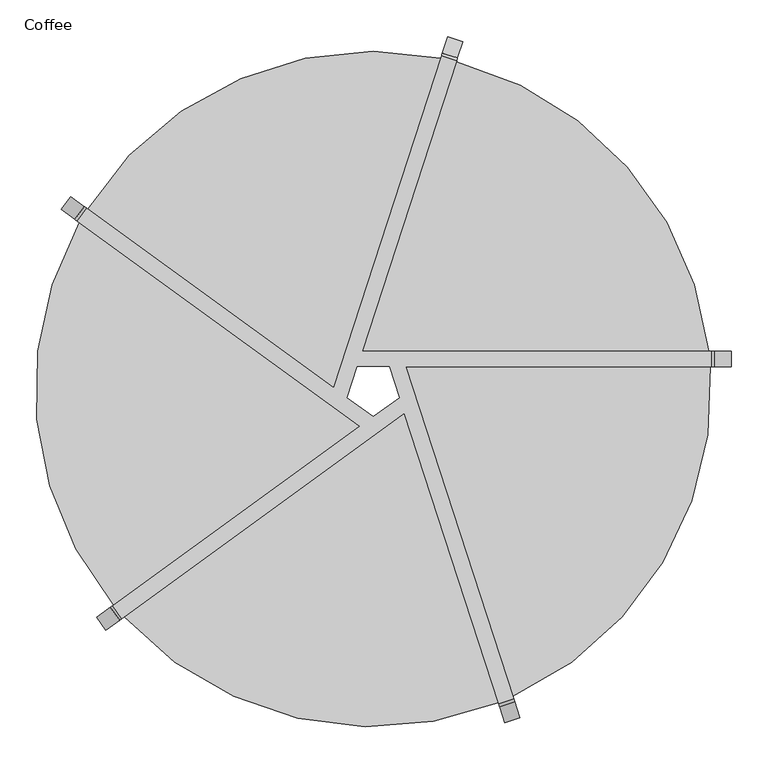
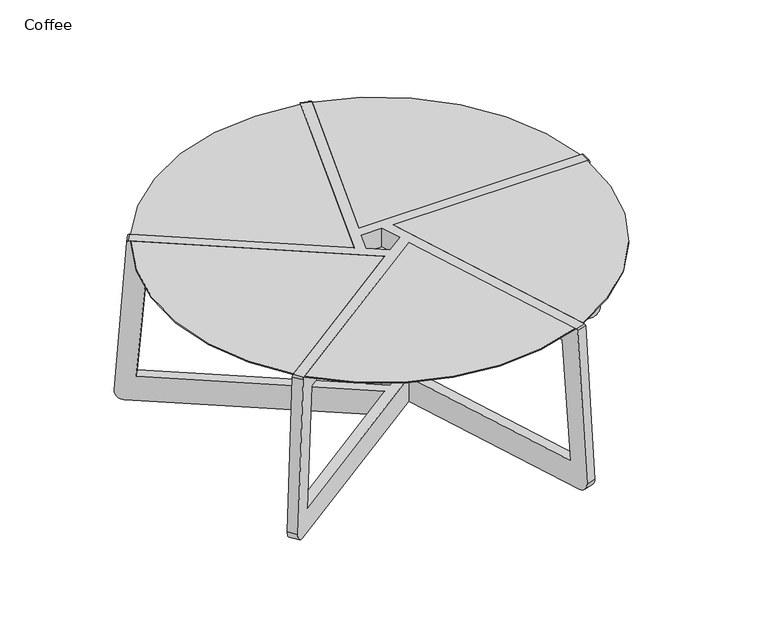
"""IFC4 building model written with IfcOpenShell, lengths in millimetres: furniture geometry, Coffee."""

import ifcopenshell
import ifcopenshell.guid

model = None  # the IFC model being written
_history = None  # IfcOwnerHistory: only IFC2X3 demands one
_inside = {}  # id of a spatial element -> (the spatial element, [elements in it])
_under = {}  # id of a project, library or spatial element -> (it, [spatial elements below it])
_declared = {}  # id of a project -> (the project, [libraries it declares])
_typed = {}  # id of a type object -> (the type object, [elements of that type])
_made_of = {}  # id of a material, layer set ... -> (it, [elements and type objects made of it])


def new_model(schema):
    """Start an empty IFC model of exactly this schema.

    Asked for "IFC4X3", IfcOpenShell would pick the latest addendum, in which some entities
    have other attributes; the version numbers below select the first issue.
    IFC2X3 requires an IfcOwnerHistory on every rooted entity: one is made here for all.
    """
    global model, _history
    if schema == "IFC4X3":
        model = ifcopenshell.file(schema_version=(4, 3, 0, 0))
    else:
        model = ifcopenshell.file(schema=schema)
    _inside.clear()
    _under.clear()
    _declared.clear()
    _typed.clear()
    _made_of.clear()
    _history = None
    if model.schema == "IFC2X3":
        org = make("IfcOrganization", Name="unknown")
        user = make(
            "IfcPersonAndOrganization",
            ThePerson=make("IfcPerson", FamilyName="unknown"),
            TheOrganization=org,
        )
        app = make(
            "IfcApplication",
            ApplicationDeveloper=org,
            Version="unknown",
            ApplicationFullName="unknown",
            ApplicationIdentifier="unknown",
        )
        _history = make(
            "IfcOwnerHistory",
            OwningUser=user,
            OwningApplication=app,
            ChangeAction="ADDED",
            CreationDate=0,
        )
    return model


def make(cls, **values):
    """One entity of the class cls with the attributes given. An attribute that is None is left unset."""
    return model.create_entity(
        cls, **{name: value for name, value in values.items() if value is not None}
    )


def rooted(cls, **values):
    """An entity with a GlobalId (a new one), such as an element, a storey or a relation."""
    return make(cls, GlobalId=ifcopenshell.guid.new(), OwnerHistory=_history, **values)


def si_unit(unit_type, name, prefix=None):
    """IfcSIUnit, for example si_unit("LENGTHUNIT", "METRE", prefix="MILLI")."""
    return make("IfcSIUnit", UnitType=unit_type, Prefix=prefix, Name=name)


def assignment(units):
    """IfcUnitAssignment: the units of a project."""
    return None if units is None else make("IfcUnitAssignment", Units=units)


def point(xyz):
    """IfcCartesianPoint."""
    return None if xyz is None else make("IfcCartesianPoint", Coordinates=xyz)


def direction(xyz):
    """IfcDirection."""
    return None if xyz is None else make("IfcDirection", DirectionRatios=xyz)


def frame(location, z_axis=None, x_axis=None):
    """IfcAxis2Placement3D, a coordinate frame: its origin and axes. An axis left out is left unset."""
    return make(
        "IfcAxis2Placement3D",
        Location=point(location),
        Axis=direction(z_axis),
        RefDirection=direction(x_axis),
    )


def frame_2d(location, x_axis=None):
    """IfcAxis2Placement2D, a coordinate frame in the plane: its origin and x axis."""
    return make(
        "IfcAxis2Placement2D", Location=point(location), RefDirection=direction(x_axis)
    )


def origin():
    """The frame at (0, 0, 0) with its axes left unset."""
    return frame((0.0, 0.0, 0.0))


def origin_2d():
    """The frame at (0, 0) in the plane with its x axis left unset."""
    return frame_2d((0.0, 0.0))


def place(relative_to, where):
    """IfcLocalPlacement: puts the frame where relative to a parent placement (None: the world)."""
    return make(
        "IfcLocalPlacement", PlacementRelTo=relative_to, RelativePlacement=where
    )


def context(
    kind, dimensions, precision=None, world=None, true_north=None, identifier=None
):
    """IfcGeometricRepresentationContext, for example the 3D "Model" context."""
    return make(
        "IfcGeometricRepresentationContext",
        ContextIdentifier=identifier,
        ContextType=kind,
        CoordinateSpaceDimension=dimensions,
        Precision=precision,
        WorldCoordinateSystem=world,
        TrueNorth=true_north,
    )


def project(units=None, contexts=None):
    """IfcProject with its units and contexts."""
    return rooted(
        "IfcProject",
        Name="project",
        RepresentationContexts=contexts,
        UnitsInContext=assignment(units),
    )


def spatial(cls, under=None, at=None, **own):
    """A site, building, storey or space (cls), placed at a placement, below another one or the project."""
    s = rooted(cls, ObjectPlacement=at, **own)
    if under is not None:
        _under.setdefault(under.id(), (under, []))[1].append(s)
    return s


def polyline(points):
    """IfcPolyline through the points."""
    return make("IfcPolyline", Points=[point(p) for p in points])


def circle_curve(where, radius):
    """IfcCircle in the frame where."""
    return make("IfcCircle", Position=where, Radius=radius)


def trimmed(basis, trim1, trim2, sense, master):
    """IfcTrimmedCurve: the piece of a basis curve between two trims."""
    return make(
        "IfcTrimmedCurve",
        BasisCurve=basis,
        Trim1=trim1,
        Trim2=trim2,
        SenseAgreement=sense,
        MasterRepresentation=master,
    )


def segment(curve, same_sense, transition):
    """IfcCompositeCurveSegment."""
    return make(
        "IfcCompositeCurveSegment",
        Transition=transition,
        SameSense=same_sense,
        ParentCurve=curve,
    )


def composite_curve(segments, self_intersect=None):
    """IfcCompositeCurve: segments joined end to end."""
    return make("IfcCompositeCurve", Segments=segments, SelfIntersect=self_intersect)


def outline(outer, holes=None, kind="AREA"):
    """IfcArbitraryClosedProfileDef: a profile drawn as a closed curve; with holes, ...WithVoids."""
    if holes is None:
        return make("IfcArbitraryClosedProfileDef", ProfileType=kind, OuterCurve=outer)
    return make(
        "IfcArbitraryProfileDefWithVoids",
        ProfileType=kind,
        OuterCurve=outer,
        InnerCurves=holes,
    )


def extrude(swept, where, along, depth):
    """IfcExtrudedAreaSolid: the profile swept, set in the frame where, extruded along a direction by depth."""
    return make(
        "IfcExtrudedAreaSolid",
        SweptArea=swept,
        Position=where,
        ExtrudedDirection=direction(along),
        Depth=depth,
    )


def shape(context_of_items, identifier, shape_type, items):
    """IfcShapeRepresentation: the items that make up one representation, for example the "Body"."""
    return make(
        "IfcShapeRepresentation",
        ContextOfItems=context_of_items,
        RepresentationIdentifier=identifier,
        RepresentationType=shape_type,
        Items=items,
    )


def source(mapping_origin, context_of_items, identifier, shape_type, items):
    """IfcRepresentationMap: a shape defined once, which mapped items show again and again."""
    return make(
        "IfcRepresentationMap",
        MappingOrigin=mapping_origin,
        MappedRepresentation=shape(context_of_items, identifier, shape_type, items),
    )


def transform(
    local_origin,
    x_axis=None,
    y_axis=None,
    z_axis=None,
    scale=None,
    scale2=None,
    scale3=None,
    uniform=True,
):
    """IfcCartesianTransformationOperator3D, or its non-uniform kind. x_axis, y_axis, z_axis: its Axis1, 2, 3."""
    if uniform:
        return make(
            "IfcCartesianTransformationOperator3D",
            Axis1=direction(x_axis),
            Axis2=direction(y_axis),
            LocalOrigin=point(local_origin),
            Scale=scale,
            Axis3=direction(z_axis),
        )
    return make(
        "IfcCartesianTransformationOperator3DnonUniform",
        Axis1=direction(x_axis),
        Axis2=direction(y_axis),
        LocalOrigin=point(local_origin),
        Scale=scale,
        Axis3=direction(z_axis),
        Scale2=scale2,
        Scale3=scale3,
    )


def mapped(mapping_source, mapping_target):
    """IfcMappedItem: shows the shape of a source again, moved by a transform."""
    return make(
        "IfcMappedItem", MappingSource=mapping_source, MappingTarget=mapping_target
    )


def made_of(thing, what):
    """Note that an element or type object is made of a material, layer set ...; save() writes the relation."""
    if what is not None:
        _made_of.setdefault(what.id(), (what, []))[1].append(thing)
    return thing


def element(
    cls,
    number,
    at=None,
    inside=None,
    cuts=None,
    type_object=None,
    material=None,
    context=None,
    identifier="Body",
    shape_type=None,
    held_by="IfcProductDefinitionShape",
    body=None,
    shapes=None,
    **own,
):
    """One element of the class cls, such as IfcWall. Its Tag is "e" and its number.

    at: its placement. inside: the storey or other place that contains it. cuts: it is an
    opening in that element (IfcRelVoidsElement). A single representation is given by context,
    identifier, shape_type and body (its items); several are given by shapes. held_by: the class
    of the entity that holds the representations. save() writes the other relations.
    """
    e = rooted(cls, Tag="e%d" % number, ObjectPlacement=at, **own)
    if body is not None:
        shapes = [shape(context, identifier, shape_type, body)]
    if shapes is not None:
        e.Representation = make(held_by, Representations=shapes)
    if inside is not None:
        _inside.setdefault(inside.id(), (inside, []))[1].append(e)
    if cuts is not None:
        rooted(
            "IfcRelVoidsElement", RelatingBuildingElement=cuts, RelatedOpeningElement=e
        )
    if type_object is not None:
        _typed.setdefault(type_object.id(), (type_object, []))[1].append(e)
    return made_of(e, material)


def aggregate(whole, parts):
    """IfcRelAggregates: a whole, such as a stair, and the parts it consists of."""
    return rooted("IfcRelAggregates", RelatingObject=whole, RelatedObjects=parts)


def save(model, path):
    """Write the relations noted so far, then the file.

    IfcRelAggregates (storeys below a building ...), IfcRelContainedInSpatialStructure (elements
    in a storey), IfcRelDefinesByType, IfcRelAssociatesMaterial and IfcRelDeclares: one each for
    every whole, place, type object, material and project.
    """
    for whole, parts in _under.values():
        aggregate(whole, parts)
    for where, things in _inside.values():
        rooted(
            "IfcRelContainedInSpatialStructure",
            RelatedElements=things,
            RelatingStructure=where,
        )
    for kind, things in _typed.values():
        rooted("IfcRelDefinesByType", RelatedObjects=things, RelatingType=kind)
    for what, things in _made_of.values():
        rooted("IfcRelAssociatesMaterial", RelatedObjects=things, RelatingMaterial=what)
    for by, libraries in _declared.values():
        rooted("IfcRelDeclares", RelatingContext=by, RelatedDefinitions=libraries)
    model.write(path)


def plane_surface(at):
    """IfcPlane: the flat surface through the origin of the frame at, square to its z axis."""
    return make("IfcPlane", Position=at)


def cylinder_surface(at, radius):
    """IfcCylindricalSurface: all points at the distance radius from the z axis of the frame at."""
    return make("IfcCylindricalSurface", Position=at, Radius=radius)


def advanced_brep(points, edges, surfaces, faces):
    """IfcAdvancedBrep: a solid bounded by faces that lie on surfaces and meet in shared edges.

    An edge is (start, end): straight between two places in points (the first is 0);
    or (start, end, curve); or (start, end, curve, False) where it runs against its curve.
    A face is (place in surfaces, loops), or (place, loops, False) where it looks against
    its surface's normal. A loop lists edges by number (the first is 1), with a minus sign
    where the edge is run from its end to its start. The first loop is the outer one.
    """
    corners = [point(p) for p in points]
    vertices = [make("IfcVertexPoint", VertexGeometry=c) for c in corners]
    made = []
    for start, end, *more in edges:
        made.append(
            make(
                "IfcEdgeCurve",
                EdgeStart=vertices[start],
                EdgeEnd=vertices[end],
                EdgeGeometry=more[0] if more else make("IfcPolyline", Points=[corners[start], corners[end]]),
                SameSense=more[1] if len(more) > 1 else True,
            )
        )
    hull = []
    for where, loops, *sense in faces:
        bounds = []
        for j, loop in enumerate(loops):
            ring = [make("IfcOrientedEdge", EdgeElement=made[abs(k) - 1], Orientation=k > 0) for k in loop]
            bounds.append(
                make(
                    "IfcFaceOuterBound" if j == 0 else "IfcFaceBound",
                    Bound=make("IfcEdgeLoop", EdgeList=ring),
                    Orientation=True,
                )
            )
        hull.append(make("IfcAdvancedFace", Bounds=bounds, FaceSurface=surfaces[where], SameSense=sense[0] if sense else True))
    return make("IfcAdvancedBrep", Outer=make("IfcClosedShell", CfsFaces=hull))


def coffee_9eb69dd1(model_context):
    return source(origin(), model_context, "Body", "SolidModel", [
        advanced_brep(
        [(102.1939071, 411.665215, 314.7630223), (108.6340468, 431.4859269, 53.2013538), (-14.8322511, 51.4957346, 53.2013655), (-14.8322511, 51.4957346, 5.02e-05), (115.3699453, 452.2168911, 6.07e-05), (121.2427537, 470.2915365, 20.3614702), (114.1601835, 448.493627, 352.5110102), (112.9856214, 444.8786964, 356.0587283), (-14.8322511, 51.4957346, 356.0585725), (-14.8322511, 51.4957346, 314.7628993), (-35.2898814, -11.4663776, 53.2013674), (-35.2898814, -11.4663776, 4.85e-05), (-21.8103462, 30.0193662, 4.96e-05), (-21.8103462, 30.0193662, 53.2013661), (-35.2898814, -11.4663776, 356.0585476), (-35.2898814, -11.4663776, 314.7628778), (-21.8103462, 30.0193662, 314.762892), (-21.8103462, 30.0193662, 356.058564), (92.5603812, 451.5152593, 356.0587283), (93.7349433, 455.1301898, 352.5110102), (100.8175135, 476.9280994, 20.3614702), (94.9447052, 458.8534539, 6.07e-05), (-53.5587716, 1.8067481, 4.87e-05), (-53.5587716, 1.8067481, 53.2013672), (88.2088066, 438.1224898, 53.2013538), (81.7686669, 418.3017778, 314.7630223), (-53.5587716, 1.8067481, 314.7628801), (-53.5587716, 1.8067481, 356.0585502), (-376.7977359, 236.6536023, 53.2013636), (-389.4212285, 219.2788553, 53.2013642), (-18.2688902, -50.3791029, 53.2013683), (-341.5078544, -285.2259571, 53.2013777), (-328.8843618, -302.6007042, 53.2013781), (42.2679766, -32.942746, 53.2013673), (165.7342744, -412.9329383, 53.2013767), (186.1595146, -406.2963755, 53.2013763), (44.3919363, 30.0193662, 53.2013655), (443.9372691, 30.0193662, 53.2013619), (443.9372691, 51.4957346, 53.2013613), (21.8103462, 30.0193662, 53.2013657), (35.2898814, -11.4663776, 53.2013668), (0.0, -37.1059772, 53.2013678), (465.7350948, 51.4957346, 5.39e-05), (465.7350948, 30.0193662, 5.34e-05), (44.3919363, 30.0193662, 5.01e-05), (192.8954131, -427.0273396, 4.04e-05), (172.470173, -433.6639024, 4.01e-05), (42.2679766, -32.942746, 4.86e-05), (-346.5191732, -315.4131446, 3.89e-05), (-359.1426658, -298.0383976, 3.92e-05), (-18.2688902, -50.3791029, 4.77e-05), (-407.0560399, 232.0912957, 5.14e-05), (-394.4325473, 249.4660428, 5.19e-05), (35.2898814, -11.4663776, 4.91e-05), (21.8103462, 30.0193662, 4.99e-05), (0.0, -37.1059772, 4.82e-05), (-388.1903061, 244.9307891, 356.0585984), (-400.8137987, 227.556042, 356.0585907), (-18.2688902, -50.3791029, 356.0585356), (-352.9004246, -293.5031439, 356.0584096), (-340.276932, -310.8778909, 356.0584048), (42.2679766, -32.942746, 356.0585489), (170.085849, -426.3257078, 356.0584229), (190.5110892, -419.689145, 356.0584276), (44.3919363, 30.0193662, 356.0585717), (458.0192603, 30.0193662, 356.0586199), (458.0192603, 51.4957346, 356.0586276), (21.8103462, 30.0193662, 356.0585691), (35.2898814, -11.4663776, 356.0585558), (0.0, -37.1059772, 356.0585425), (423.0965392, 51.4957346, 314.7629433), (423.0965392, 30.0193662, 314.7629366), (44.3919363, 30.0193662, 314.7628986), (179.7193749, -386.4756635, 314.7627836), (159.2941347, -393.1122263, 314.7627795), (42.2679766, -32.942746, 314.762879), (-312.0238571, -290.3508305, 314.7627639), (-324.6473498, -272.9760835, 314.762768), (-18.2688902, -50.3791029, 314.7628675), (-372.5607239, 207.0289816, 314.7629115), (-359.9372312, 224.4037287, 314.7629181), (35.2898814, -11.4663776, 314.7628849), (21.8103462, 30.0193662, 314.7628964), (0.0, -37.1059772, 314.7628734), (-409.8077591, 260.636788, 20.3614702), (-391.2653497, 247.164939, 352.5110102), (-403.8888423, 229.790192, 352.5110102), (-422.4312517, 243.262041, 20.3614702), (-374.5178776, -309.2091428, 20.3614702), (-355.9754682, -295.7372938, 352.5110102), (-343.3519756, -313.1120409, 352.5110102), (-361.894385, -326.5838899, 20.3614702), (178.3429813, -451.7385479, 20.3614702), (171.2604111, -429.9406384, 352.5110102), (191.6856513, -423.3040755, 352.5110102), (198.7682215, -445.1019851, 20.3614702), (484.7399017, 30.0193662, 20.3614702), (461.8202233, 30.0193662, 352.5110102), (461.8202233, 51.4957346, 352.5110102), (484.7399017, 51.4957346, 20.3614702)],
        [
            (0, 1),
            (1, 2),
            (2, 3),
            (3, 4),
            (4, 5, circle_curve(frame((115.3699452, 452.2168906, 19.0500607), z_axis=(0.9510565162951611, -0.30901699437492414, 0.0), x_axis=(0.30901699437492414, 0.9510565162951611, 0.0)), 19.05)),
            (5, 6),
            (6, 7, circle_curve(frame((112.9856218, 444.8786978, 352.2487283), z_axis=(0.9510565162951611, -0.30901699437492414, 0.0), x_axis=(0.30901699437492414, 0.9510565162951611, 0.0)), 3.81)),
            (7, 8),
            (8, 9),
            (9, 0),
            (10, 11),
            (11, 12),
            (12, 13),
            (13, 10),
            (14, 15),
            (15, 16),
            (16, 17),
            (17, 14),
            (18, 19, circle_curve(frame((92.5603817, 451.5152606, 352.2487283), z_axis=(-0.9510565162951611, 0.30901699437492414, 0.0), x_axis=(0.30901699437492414, 0.9510565162951611, 0.0)), 3.81)),
            (19, 20),
            (20, 21, circle_curve(frame((94.944705, 458.8534534, 19.0500607), z_axis=(-0.9510565162951611, 0.30901699437492414, 0.0), x_axis=(0.30901699437492414, 0.9510565162951611, 0.0)), 19.05)),
            (21, 22),
            (22, 23),
            (23, 24),
            (24, 25),
            (25, 26),
            (26, 27),
            (27, 18),
            (0, 25),
            (24, 1),
            (23, 28),
            (28, 29),
            (29, 30),
            (30, 31),
            (31, 32),
            (32, 33),
            (33, 34),
            (34, 35),
            (35, 36),
            (36, 37),
            (37, 38),
            (38, 2),
            (13, 39),
            (39, 40),
            (40, 41),
            (41, 10),
            (21, 4),
            (3, 42),
            (42, 43),
            (43, 44),
            (44, 45),
            (45, 46),
            (46, 47),
            (47, 48),
            (48, 49),
            (49, 50),
            (50, 51),
            (51, 52),
            (52, 22),
            (53, 54),
            (54, 12),
            (11, 55),
            (55, 53),
            (20, 5),
            (19, 6),
            (18, 7),
            (27, 56),
            (56, 57),
            (57, 58),
            (58, 59),
            (59, 60),
            (60, 61),
            (61, 62),
            (62, 63),
            (63, 64),
            (64, 65),
            (65, 66),
            (66, 8),
            (17, 67),
            (67, 68),
            (68, 69),
            (69, 14),
            (9, 70),
            (70, 71),
            (71, 72),
            (72, 73),
            (73, 74),
            (74, 75),
            (75, 76),
            (76, 77),
            (77, 78),
            (78, 79),
            (79, 80),
            (80, 26),
            (81, 82),
            (82, 16),
            (15, 83),
            (83, 81),
            (41, 55),
            (69, 83),
            (80, 28),
            (52, 84, circle_curve(frame((-394.4325469, 249.4660425, 19.0500607), z_axis=(0.587785252292482, 0.809016994374941, 0.0), x_axis=(-0.809016994374941, 0.587785252292482, 0.0)), 19.05)),
            (84, 85),
            (85, 56, circle_curve(frame((-388.1903072, 244.9307899, 352.2487283), z_axis=(0.587785252292482, 0.809016994374941, 0.0), x_axis=(-0.809016994374941, 0.587785252292482, 0.0)), 3.81)),
            (57, 86, circle_curve(frame((-400.8137999, 227.5560429, 352.2487283), z_axis=(-0.587785252292482, -0.809016994374941, 0.0), x_axis=(-0.809016994374941, 0.587785252292482, 0.0)), 3.81)),
            (86, 87),
            (87, 51, circle_curve(frame((-407.0560395, 232.0912954, 19.0500607), z_axis=(-0.587785252292482, -0.809016994374941, 0.0), x_axis=(-0.809016994374941, 0.587785252292482, 0.0)), 19.05)),
            (50, 30),
            (29, 79),
            (78, 58),
            (87, 84),
            (86, 85),
            (40, 53),
            (68, 81),
            (77, 31),
            (49, 88, circle_curve(frame((-359.1426654, -298.0383973, 19.0500607), z_axis=(-0.5877852522924336, 0.8090169943749761, 0.0), x_axis=(-0.8090169943749761, -0.5877852522924336, 0.0)), 19.05)),
            (88, 89),
            (89, 59, circle_curve(frame((-352.9004258, -293.5031447, 352.2487283), z_axis=(-0.5877852522924336, 0.8090169943749761, 0.0), x_axis=(-0.8090169943749761, -0.5877852522924336, 0.0)), 3.81)),
            (60, 90, circle_curve(frame((-340.2769331, -310.8778918, 352.2487283), z_axis=(0.5877852522924336, -0.8090169943749761, 0.0), x_axis=(-0.8090169943749761, -0.5877852522924336, 0.0)), 3.81)),
            (90, 91),
            (91, 48, circle_curve(frame((-346.5191728, -315.4131444, 19.0500607), z_axis=(0.5877852522924336, -0.8090169943749761, 0.0), x_axis=(-0.8090169943749761, -0.5877852522924336, 0.0)), 19.05)),
            (47, 33),
            (32, 76),
            (75, 61),
            (91, 88),
            (90, 89),
            (39, 54),
            (67, 82),
            (74, 34),
            (46, 92, circle_curve(frame((172.4701728, -433.663902, 19.0500607), z_axis=(-0.9510565162951736, -0.3090169943748859, 0.0), x_axis=(0.3090169943748859, -0.9510565162951736, 0.0)), 19.05)),
            (92, 93),
            (93, 62, circle_curve(frame((170.0858495, -426.3257092, 352.2487283), z_axis=(-0.9510565162951736, -0.3090169943748859, 0.0), x_axis=(0.3090169943748859, -0.9510565162951736, 0.0)), 3.81)),
            (63, 94, circle_curve(frame((190.5110896, -419.6891464, 352.2487283), z_axis=(0.9510565162951736, 0.3090169943748859, 0.0), x_axis=(0.3090169943748859, -0.9510565162951736, 0.0)), 3.81)),
            (94, 95),
            (95, 45, circle_curve(frame((192.895413, -427.0273392, 19.0500607), z_axis=(0.9510565162951736, 0.3090169943748859, 0.0), x_axis=(0.3090169943748859, -0.9510565162951736, 0.0)), 19.05)),
            (44, 36),
            (35, 73),
            (72, 64),
            (95, 92),
            (94, 93),
            (71, 37),
            (43, 96, circle_curve(frame((465.7350943, 30.0193662, 19.0500607), z_axis=(0.0, -1.0, 0.0), x_axis=(1.0, 0.0, 0.0)), 19.05)),
            (96, 97),
            (97, 65, circle_curve(frame((458.0192618, 30.0193662, 352.2487283), z_axis=(0.0, -1.0, 0.0), x_axis=(1.0, 0.0, 0.0)), 3.81)),
            (66, 98, circle_curve(frame((458.0192618, 51.4957346, 352.2487283), z_axis=(0.0, 1.0, 0.0), x_axis=(1.0, 0.0, 0.0)), 3.81)),
            (98, 99),
            (99, 42, circle_curve(frame((465.7350943, 51.4957346, 19.0500607), z_axis=(0.0, 1.0, 0.0), x_axis=(1.0, 0.0, 0.0)), 19.05)),
            (38, 70),
            (99, 96),
            (98, 97),
        ],
        [
            plane_surface(frame((102.169344, 411.5896178, 315.7606318), z_axis=(0.9510565162951612, -0.3090169943749242, 0.0), x_axis=(0.024544091840109444, 0.0755389473912284, -0.9968407370200967))),
            plane_surface(frame((81.7441039, 418.2261806, 315.7606318), z_axis=(-0.9510565162951612, 0.3090169943749242, 0.0), x_axis=(-0.024544091840109444, -0.0755389473912284, 0.9968407370200967))),
            plane_surface(frame((102.1939071, 411.665215, 314.7630223), z_axis=(-0.30804072842443364, -0.9480518786514343, -0.07942634964059786), x_axis=(-0.9510565162951614, 0.3090169943749233, 0.0))),
            plane_surface(frame((108.6340468, 431.4859269, 53.2013538), z_axis=(8.988826820775977e-09, 2.766476432482368e-08, 0.9999999999999996), x_axis=(-0.9510565162951604, 0.3090169943749264, 0.0))),
            plane_surface(frame((-36.1157782, -14.0082265, 4.84e-05), z_axis=(7.71723689469624e-09, 2.3751212943290145e-08, -0.9999999999999996), x_axis=(-0.9510565162951614, 0.3090169943749233, 0.0))),
            cylinder_surface(frame((94.944705, 458.8534534, 19.0500607), z_axis=(0.9510565162951611, -0.30901699437492414, 0.0), x_axis=(0.30901699437492414, 0.9510565162951611, 0.0)), 19.05),
            plane_surface(frame((121.2427537, 470.2915365, 20.3614702), z_axis=(0.30828390903925207, 0.9488003116262212, 0.06884039573871989), x_axis=(-0.9510565162951614, 0.3090169943749233, 0.0))),
            cylinder_surface(frame((92.5603817, 451.5152606, 352.2487283), z_axis=(0.9510565162951611, -0.30901699437492414, 0.0), x_axis=(0.30901699437492414, 0.9510565162951611, 0.0)), 3.81),
            plane_surface(frame((112.9856214, 444.8786964, 356.0587283), z_axis=(-1.1640070228951744e-07, -3.5824452515211257e-07, 0.9999999999999292), x_axis=(-0.9510565162951604, 0.3090169943749264, 0.0))),
            plane_surface(frame((-36.1158675, -14.0085012, 314.762877), z_axis=(1.0036309445110396e-07, 3.0888584353215434e-07, -0.9999999999999474), x_axis=(-0.9510565162951614, 0.3090169943749233, 0.0))),
            plane_surface(frame((-359.8729244, 224.357007, 315.7606318), z_axis=(0.587785252292482, 0.8090169943749411, 0.0), x_axis=(-0.0642572666604094, 0.04668563696216959, -0.9968407370200967))),
            plane_surface(frame((-372.4964171, 206.98226, 315.7606318), z_axis=(-0.587785252292482, -0.8090169943749411, 0.0), x_axis=(0.0642572666604094, -0.04668563696216959, 0.9968407370200967))),
            plane_surface(frame((-359.9372312, 224.4037287, 314.7630223), z_axis=(0.8064610969344993, -0.5859282841047817, -0.07942634964059758), x_axis=(-0.5877852522924825, -0.8090169943749407, 0.0))),
            cylinder_surface(frame((-407.0560395, 232.0912954, 19.0500607), z_axis=(0.587785252292482, 0.809016994374941, 0.0), x_axis=(-0.809016994374941, 0.587785252292482, 0.0)), 19.05),
            plane_surface(frame((-409.8077591, 260.636788, 20.3614702), z_axis=(-0.8070977520494993, 0.5863908411215013, 0.0688403957387199), x_axis=(-0.5877852522924825, -0.8090169943749407, 0.0))),
            cylinder_surface(frame((-400.8137999, 227.5560429, 352.2487283), z_axis=(0.587785252292482, 0.809016994374941, 0.0), x_axis=(-0.809016994374941, 0.587785252292482, 0.0)), 3.81),
            plane_surface(frame((-324.583043, -272.9293618, 315.7606318), z_axis=(-0.5877852522924337, 0.8090169943749761, 0.0), x_axis=(-0.06425726666041218, -0.046685636962165586, -0.9968407370200967))),
            plane_surface(frame((-311.9595503, -290.3041089, 315.7606318), z_axis=(0.5877852522924337, -0.8090169943749761, 0.0), x_axis=(0.06425726666041218, 0.046685636962165586, 0.9968407370200967))),
            plane_surface(frame((-324.6473498, -272.9760835, 314.7630223), z_axis=(0.8064610969345347, 0.585928284104733, -0.07942634964059747), x_axis=(0.5877852522924336, -0.8090169943749762, 0.0))),
            cylinder_surface(frame((-346.5191728, -315.4131444, 19.0500607), z_axis=(-0.5877852522924336, 0.8090169943749761, 0.0), x_axis=(-0.8090169943749761, -0.5877852522924336, 0.0)), 19.05),
            plane_surface(frame((-374.5178776, -309.2091428, 20.3614702), z_axis=(-0.8070977520495346, -0.5863908411214526, 0.06884039573871992), x_axis=(0.5877852522924336, -0.8090169943749762, 0.0))),
            cylinder_surface(frame((-340.2769331, -310.8778918, 352.2487283), z_axis=(-0.5877852522924336, 0.8090169943749761, 0.0), x_axis=(-0.8090169943749761, -0.5877852522924336, 0.0)), 3.81),
            plane_surface(frame((159.2695717, -393.0366291, 315.7606318), z_axis=(-0.9510565162951738, -0.3090169943748859, 0.0), x_axis=(0.024544091840106145, -0.07553894739122899, -0.9968407370200968))),
            plane_surface(frame((179.6948118, -386.4000663, 315.7606318), z_axis=(0.9510565162951738, 0.3090169943748859, 0.0), x_axis=(-0.024544091840106145, 0.07553894739122899, 0.9968407370200968))),
            plane_surface(frame((159.2941347, -393.1122263, 314.7630223), z_axis=(-0.3080407284243959, 0.9480518786514467, -0.0794263496405974), x_axis=(0.9510565162951738, 0.30901699437488545, 0.0))),
            cylinder_surface(frame((192.895413, -427.0273392, 19.0500607), z_axis=(-0.9510565162951736, -0.3090169943748859, 0.0), x_axis=(0.3090169943748859, -0.9510565162951736, 0.0)), 19.05),
            plane_surface(frame((178.3429813, -451.7385479, 20.3614702), z_axis=(0.3082839090392143, -0.9488003116262337, 0.06884039573872007), x_axis=(0.9510565162951738, 0.30901699437488545, 0.0))),
            cylinder_surface(frame((190.5110896, -419.6891464, 352.2487283), z_axis=(-0.9510565162951736, -0.3090169943748859, 0.0), x_axis=(0.3090169943748859, -0.9510565162951736, 0.0)), 3.81),
            plane_surface(frame((423.0170516, 30.0193662, 315.7606318), z_axis=(0.0, -1.0, 0.0), x_axis=(0.07942634964059793, 0.0, -0.9968407370200967))),
            plane_surface(frame((423.0170516, 51.4957346, 315.7606318), z_axis=(0.0, 1.0, 0.0), x_axis=(-0.07942634964059793, 0.0, 0.9968407370200967))),
            plane_surface(frame((423.0965392, 30.0193662, 314.7630223), z_axis=(-0.9968407370200967, 0.0, -0.07942634964059793), x_axis=(0.0, 1.0, 0.0))),
            cylinder_surface(frame((465.7350943, 51.4957346, 19.0500607), z_axis=(0.0, -1.0, 0.0), x_axis=(1.0, 0.0, 0.0)), 19.05),
            plane_surface(frame((484.7399017, 30.0193662, 20.3614702), z_axis=(0.9976276860204595, 0.0, 0.06884039573871993), x_axis=(0.0, 1.0, 0.0))),
            cylinder_surface(frame((458.0192618, 51.4957346, 352.2487283), z_axis=(0.0, -1.0, 0.0), x_axis=(1.0, 0.0, 0.0)), 3.81),
        ],
        [
            (0, [[1, 2, 3, 4, 5, 6, 7, 8, 9, 10]]),
            (0, [[11, 12, 13, 14]]),
            (0, [[15, 16, 17, 18]]),
            (1, [[19, 20, 21, 22, 23, 24, 25, 26, 27, 28]]),
            (2, [[-1, 29, -25, 30]]),
            (3, [[-30, -24, 31, 32, 33, 34, 35, 36, 37, 38, 39, 40, 41, 42, -2], [-14, 43, 44, 45, 46]]),
            (4, [[47, -4, 48, 49, 50, 51, 52, 53, 54, 55, 56, 57, 58, 59, -22], [60, 61, -12, 62, 63]]),
            (5, [[-5, -47, -21, 64]]),
            (6, [[-6, -64, -20, 65]]),
            (7, [[-7, -65, -19, 66]]),
            (8, [[-66, -28, 67, 68, 69, 70, 71, 72, 73, 74, 75, 76, 77, 78, -8], [-18, 79, 80, 81, 82]]),
            (9, [[-29, -10, 83, 84, 85, 86, 87, 88, 89, 90, 91, 92, 93, 94, -26], [95, 96, -16, 97, 98]]),
            (10, [[-11, -46, 99, -62]]),
            (10, [[-15, -82, 100, -97]]),
            (10, [[101, -31, -23, -59, 102, 103, 104, -67, -27, -94]]),
            (11, [[105, 106, 107, -57, 108, -33, 109, -92, 110, -69]]),
            (12, [[-101, -93, -109, -32]]),
            (13, [[-102, -58, -107, 111]]),
            (14, [[-103, -111, -106, 112]]),
            (15, [[-104, -112, -105, -68]]),
            (16, [[-99, -45, 113, -63]]),
            (16, [[-100, -81, 114, -98]]),
            (16, [[115, -34, -108, -56, 116, 117, 118, -70, -110, -91]]),
            (17, [[119, 120, 121, -54, 122, -36, 123, -89, 124, -72]]),
            (18, [[-115, -90, -123, -35]]),
            (19, [[-116, -55, -121, 125]]),
            (20, [[-117, -125, -120, 126]]),
            (21, [[-118, -126, -119, -71]]),
            (22, [[-113, -44, 127, -60]]),
            (22, [[-114, -80, 128, -95]]),
            (22, [[129, -37, -122, -53, 130, 131, 132, -73, -124, -88]]),
            (23, [[133, 134, 135, -51, 136, -39, 137, -86, 138, -75]]),
            (24, [[-129, -87, -137, -38]]),
            (25, [[-130, -52, -135, 139]]),
            (26, [[-131, -139, -134, 140]]),
            (27, [[-132, -140, -133, -74]]),
            (28, [[-61, -127, -43, -13]]),
            (28, [[-96, -128, -79, -17]]),
            (28, [[141, -40, -136, -50, 142, 143, 144, -76, -138, -85]]),
            (29, [[145, 146, 147, -48, -3, -42, 148, -83, -9, -78]]),
            (30, [[-141, -84, -148, -41]]),
            (31, [[-142, -49, -147, 149]]),
            (32, [[-143, -149, -146, 150]]),
            (33, [[-144, -150, -145, -77]]),
        ],
    ),
        extrude(outline(composite_curve([segment(trimmed(circle_curve(origin_2d(), 457.2), [point((-351.439463, -292.4416931))], [point((-397.7973205, 225.3644423))], False, "CARTESIAN"), True, "CONTINUOUS"), segment(polyline([(-397.7973205, 225.3644423), (-18.2688902, -50.3791029), (-351.439463, -292.4416931)]), True, "CONTINUOUS")], self_intersect=False)), frame((0.0, 0.0, 353.7152192), z_axis=(0.0, 0.0, 1.0), x_axis=(1.0, 0.0, 0.0)), (0.0, 0.0, 1.0), 2.3434979),
        extrude(outline(composite_curve([segment(trimmed(circle_curve(origin_2d(), 457.2), [point((112.4275837, 443.161233))], [point((454.2906881, 51.4957346))], False, "CARTESIAN"), True, "CONTINUOUS"), segment(polyline([(454.2906881, 51.4957346), (-14.8322511, 51.4957346), (112.4275837, 443.161233)]), True, "CONTINUOUS")], self_intersect=False)), frame((0.0, 0.0, 353.7152192), z_axis=(0.0, 0.0, 1.0), x_axis=(1.0, 0.0, 0.0)), (0.0, 0.0, 1.0), 2.3434979),
        extrude(outline(composite_curve([segment(trimmed(circle_curve(origin_2d(), 457.2), [point((-386.7293444, 243.8693383))], [point((91.408189, 447.9691764))], False, "CARTESIAN"), True, "CONTINUOUS"), segment(polyline([(91.408189, 447.9691764), (-53.5587716, 1.8067481), (-386.7293444, 243.8693383)]), True, "CONTINUOUS")], self_intersect=False)), frame((0.0, 0.0, 353.7152192), z_axis=(0.0, 0.0, 1.0), x_axis=(1.0, 0.0, 0.0)), (0.0, 0.0, 1.0), 2.3434979),
        extrude(outline(composite_curve([segment(polyline([(42.2679766, -32.942746), (169.5278113, -424.6082444)]), True, "CONTINUOUS"), segment(trimmed(circle_curve(origin_2d(), 457.2), [point((169.5278113, -424.6082444))], [point((-337.2604537, -308.6862912))], False, "CARTESIAN"), True, "CONTINUOUS"), segment(polyline([(-337.2604537, -308.6862912), (42.2679766, -32.942746)]), True, "CONTINUOUS")], self_intersect=False)), frame((0.0, 0.0, 353.7152192), z_axis=(0.0, 0.0, 1.0), x_axis=(1.0, 0.0, 0.0)), (0.0, 0.0, 1.0), 2.3434979),
        extrude(outline(composite_curve([segment(polyline([(44.3919363, 30.0193662), (456.2134124, 30.0193662)]), True, "CONTINUOUS"), segment(trimmed(circle_curve(origin_2d(), 457.2), [point((456.2134124, 30.0193662))], [point((189.358897, -416.1430621))], False, "CARTESIAN"), True, "CONTINUOUS"), segment(polyline([(189.358897, -416.1430621), (44.3919363, 30.0193662)]), True, "CONTINUOUS")], self_intersect=False)), frame((0.0, 0.0, 353.7152192), z_axis=(0.0, 0.0, 1.0), x_axis=(1.0, 0.0, 0.0)), (0.0, 0.0, 1.0), 2.3434979),
    ])


if __name__ == "__main__":
    model = new_model("IFC4")
    model_context = context("Model", 3, world=origin())
    ifc_project = project(units=[si_unit("LENGTHUNIT", "METRE", prefix="MILLI")], contexts=[model_context])
    site = spatial("IfcSite", under=ifc_project)
    building = spatial("IfcBuilding", under=site)
    placement = place(None, origin())
    coffee_shape = coffee_9eb69dd1(model_context)
    element("IfcFurniture", 1, ObjectType="Coffee", at=placement, inside=building, context=model_context, shape_type="MappedRepresentation", body=[
        mapped(coffee_shape, transform((0.0, 0.0, 0.0), x_axis=(1.0, 0.0, 0.0), y_axis=(0.0, 1.0, 0.0), z_axis=(0.0, 0.0, 1.0))),
    ])
    save(model, "model.ifc")
